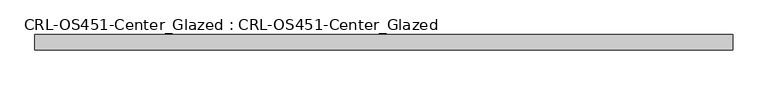
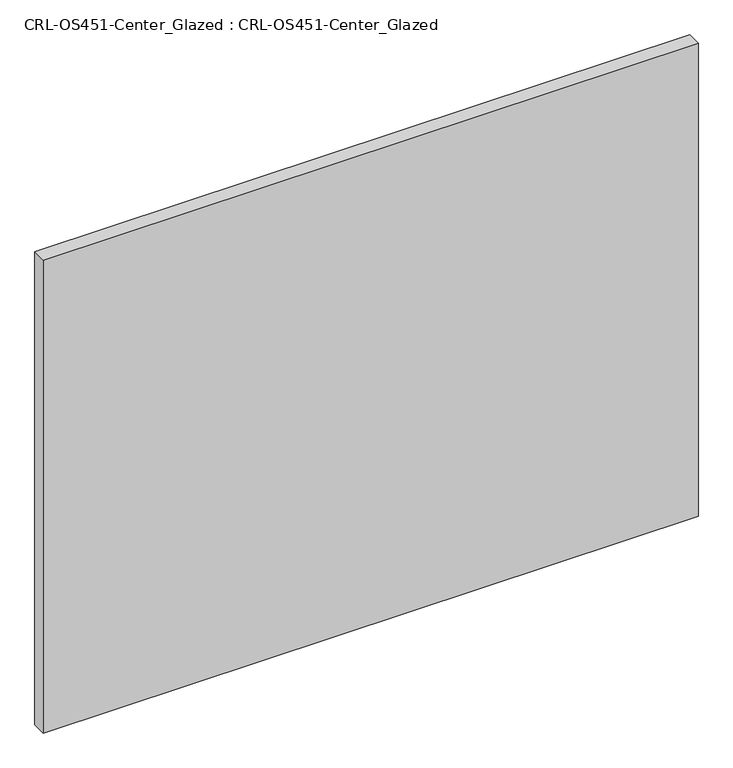
"""IFC4 building model written with IfcOpenShell, lengths in millimetres: plate geometry, CRL-OS451-Center_Glazed : CRL-OS451-Center_Glazed."""

from ifc_helpers import new_model, si_unit, origin, origin_with_axes, place, context, project, spatial, polyline, outline, extrude, source, transform, mapped, element, save


def crl_os451_center_glazed_crl_os451_center_glazed_b104a7d2(model_context):
    return source(origin(), model_context, "Body", "SweptSolid", [
        extrude(outline(polyline([(-585.4813478, 12.709956), (585.4813478, 12.709956), (585.4813478, -12.709956), (-585.4813478, -12.709956), (-585.4813478, 12.709956)])), origin_with_axes(), (0.0, 0.0, 1.0), 893.4410342),
    ])


if __name__ == "__main__":
    model = new_model("IFC4")
    model_context = context("Model", 3, world=origin())
    ifc_project = project(units=[si_unit("LENGTHUNIT", "METRE", prefix="MILLI")], contexts=[model_context])
    site = spatial("IfcSite", under=ifc_project)
    building = spatial("IfcBuilding", under=site)
    placement = place(None, origin())
    crl_os451_center_glazed_crl_os451_center_glazed_shape = crl_os451_center_glazed_crl_os451_center_glazed_b104a7d2(model_context)
    element("IfcPlate", 1, ObjectType="CRL-OS451-Center_Glazed : CRL-OS451-Center_Glazed", at=placement, inside=building, context=model_context, shape_type="MappedRepresentation", body=[
        mapped(crl_os451_center_glazed_crl_os451_center_glazed_shape, transform((0.0, 0.0, 0.0), x_axis=(1.0, 0.0, 0.0), y_axis=(0.0, 1.0, 0.0), z_axis=(0.0, 0.0, 1.0))),
    ])
    save(model, "model.ifc")
